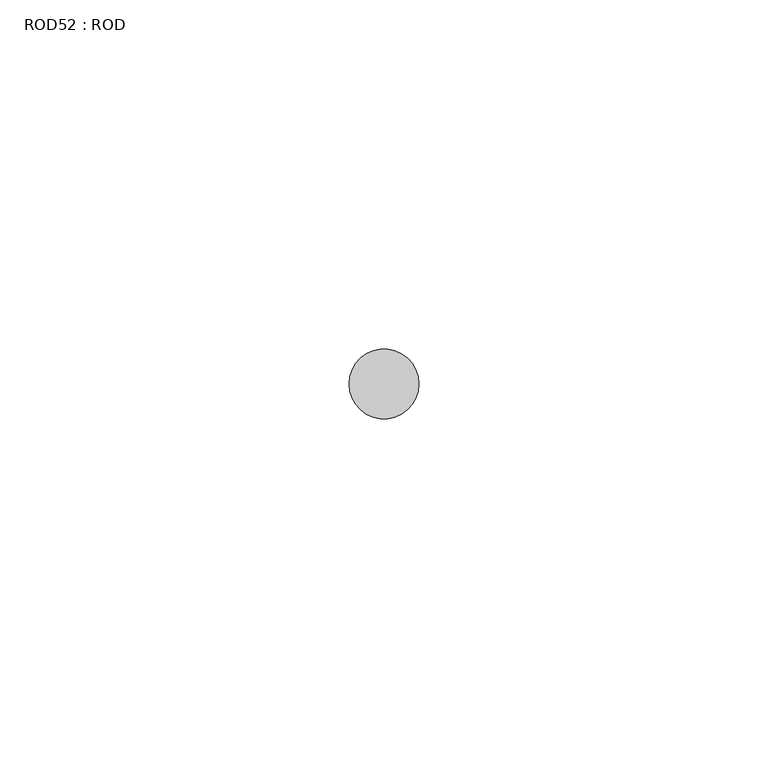
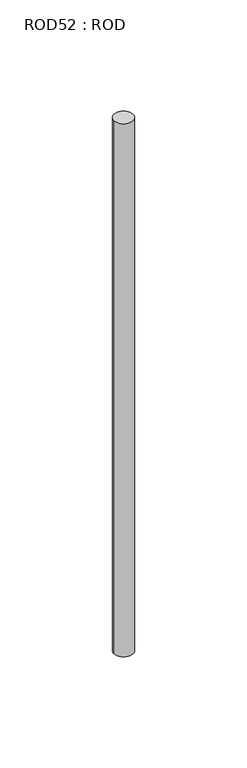
"""IFC4 building model written with IfcOpenShell, lengths in millimetres: proxy geometry, ROD52 : ROD."""

from ifc_helpers import new_model, si_unit, point, frame, frame_2d, origin, place, context, project, spatial, circle_curve, trimmed, segment, composite_curve, outline, extrude, source, transform, mapped, element, save


def rod52_rod_a69d2d18(model_context):
    return source(origin(), model_context, "Body", "SweptSolid", [
        extrude(outline(composite_curve([segment(trimmed(circle_curve(frame_2d((5432.7784384, -1114.6300853)), 5.0), [point((5427.7784384, -1114.6300853))], [point((5437.7784384, -1114.6300853))], False, "CARTESIAN"), True, "CONTINUOUS"), segment(trimmed(circle_curve(frame_2d((5432.7784384, -1114.6300853)), 5.0), [point((5437.7784384, -1114.6300853))], [point((5427.7784384, -1114.6300853))], False, "CARTESIAN"), True, "CONTINUOUS")], self_intersect=False)), frame((0.0, 0.0, -208.6608845), z_axis=(0.0, 0.0, 1.0), x_axis=(1.0, 0.0, 0.0)), (0.0, 0.0, 1.0), 298.9028972),
    ])


if __name__ == "__main__":
    model = new_model("IFC4")
    model_context = context("Model", 3, world=origin())
    ifc_project = project(units=[si_unit("LENGTHUNIT", "METRE", prefix="MILLI")], contexts=[model_context])
    site = spatial("IfcSite", under=ifc_project)
    building = spatial("IfcBuilding", under=site)
    placement = place(None, origin())
    rod52_rod_shape = rod52_rod_a69d2d18(model_context)
    element("IfcBuildingElementProxy", 1, Name="ROD52 : ROD", ObjectType="ROD52 : ROD", at=placement, inside=building, context=model_context, shape_type="MappedRepresentation", body=[
        mapped(rod52_rod_shape, transform((0.0, 0.0, 0.0), x_axis=(1.0, 0.0, 0.0), y_axis=(0.0, 1.0, 0.0), z_axis=(0.0, 0.0, 1.0))),
    ])
    save(model, "model.ifc")
